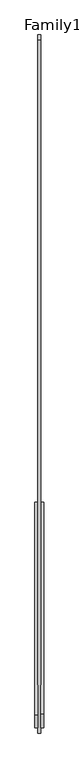
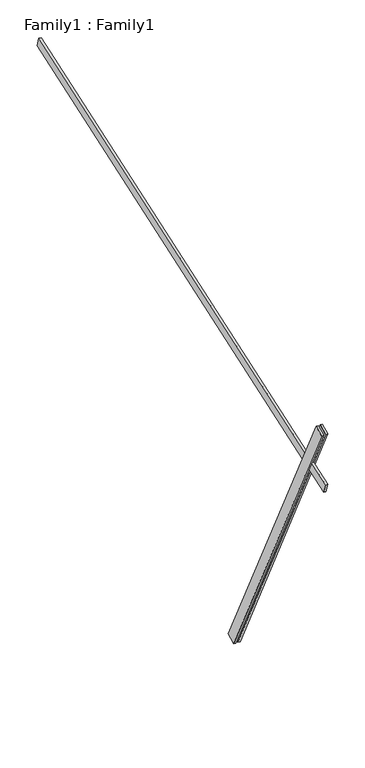
"""IFC4 building model written with IfcOpenShell, lengths in millimetres: proxy geometry, Family1 : Family1."""

from ifc_helpers import new_model, si_unit, frame, origin, place, context, project, spatial, polyline, outline, extrude, source, transform, mapped, element, save


def family1_family1_dfd58e33(model_context):
    return source(origin(), model_context, "Body", "SweptSolid", [
        extrude(outline(polyline([(0.0, 0.0), (-100.0000001, 0.0), (-100.0000001, 20.0), (0.0, 20.0), (0.0, 0.0)])), frame((-30.0, -46.3241747, -22.5938096), z_axis=(0.0, -0.4383711467890692, 0.8987940462991711), x_axis=(0.0, -0.8987940462991711, -0.4383711467890692)), (0.0, 0.0, 1.0), 3300.0),
        extrude(outline(polyline([(0.0, 0.0), (-99.9999999, 0.0), (-99.9999999, 20.0), (0.0, 20.0), (0.0, 0.0)])), frame((10.0, -45.270232, -22.0797674), z_axis=(0.0, -0.4383711467890692, 0.8987940462991711), x_axis=(0.0, -0.8987940462991711, -0.4383711467890692)), (0.0, 0.0, 1.0), 3300.0),
        extrude(outline(polyline([(0.0, 20.0), (5000.0, 20.0), (5000.0, 0.0), (0.0, 0.0), (0.0, 20.0)])), frame((-10.0, 3231.1336203, 3998.9520373), z_axis=(0.0, -0.32556815445715853, 0.9455185755993163), x_axis=(0.0, -0.9455185755993163, -0.32556815445715853)), (0.0, 0.0, 1.0), 100.0),
    ])


if __name__ == "__main__":
    model = new_model("IFC4")
    model_context = context("Model", 3, world=origin())
    ifc_project = project(units=[si_unit("LENGTHUNIT", "METRE", prefix="MILLI")], contexts=[model_context])
    site = spatial("IfcSite", under=ifc_project)
    building = spatial("IfcBuilding", under=site)
    placement = place(None, origin())
    family1_family1_shape = family1_family1_dfd58e33(model_context)
    element("IfcBuildingElementProxy", 1, Name="Family1 : Family1", ObjectType="Family1 : Family1", at=placement, inside=building, context=model_context, shape_type="MappedRepresentation", body=[
        mapped(family1_family1_shape, transform((0.0, 0.0, 0.0), x_axis=(1.0, 0.0, 0.0), y_axis=(0.0, 1.0, 0.0), z_axis=(0.0, 0.0, 1.0))),
    ])
    save(model, "model.ifc")
